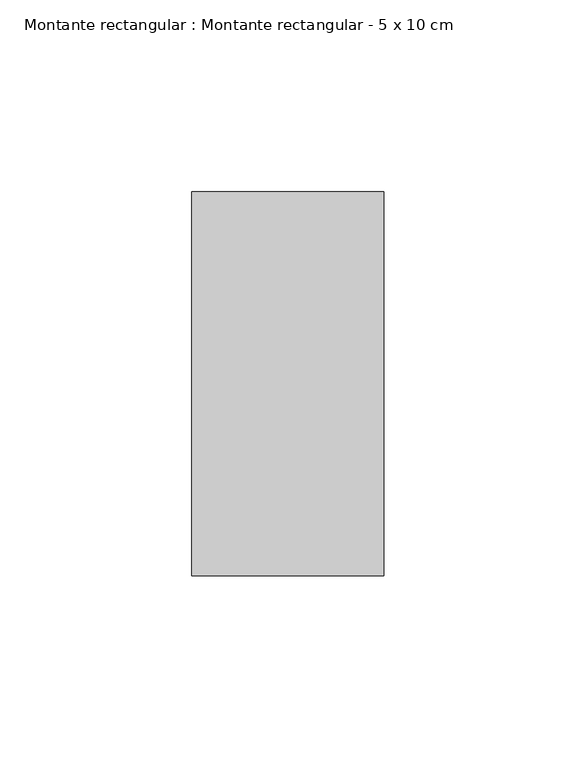
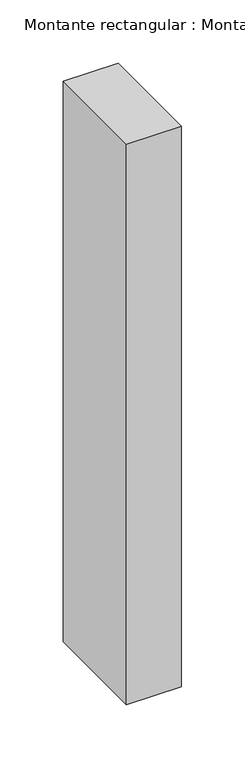
"""IFC4 building model written with IfcOpenShell, lengths in millimetres: member geometry, Montante rectangular : Montante rectangular - 5 x 10 cm."""

from ifc_helpers import new_model, si_unit, frame, origin, place, context, project, spatial, polyline, outline, extrude, source, transform, mapped, element, save


def montante_rectangular_montante_rectangular_5_x_10_cm_0dbe6dda(model_context):
    return source(origin(), model_context, "Body", "SweptSolid", [
        extrude(outline(polyline([(-50.0, 50.0), (0.0, 50.0), (0.0, -50.0), (-50.0, -50.0), (-50.0, 50.0)])), frame((0.0, 0.0, -541.0), z_axis=(0.0, 0.0, 1.0), x_axis=(1.0, 0.0, 0.0)), (0.0, 0.0, 1.0), 541.0),
    ])


if __name__ == "__main__":
    model = new_model("IFC4")
    model_context = context("Model", 3, world=origin())
    ifc_project = project(units=[si_unit("LENGTHUNIT", "METRE", prefix="MILLI")], contexts=[model_context])
    site = spatial("IfcSite", under=ifc_project)
    building = spatial("IfcBuilding", under=site)
    placement = place(None, origin())
    montante_rectangular_montante_rectangular_5_x_10_cm_shape = montante_rectangular_montante_rectangular_5_x_10_cm_0dbe6dda(model_context)
    element("IfcMember", 1, ObjectType="Montante rectangular : Montante rectangular - 5 x 10 cm", at=placement, inside=building, context=model_context, shape_type="MappedRepresentation", body=[
        mapped(montante_rectangular_montante_rectangular_5_x_10_cm_shape, transform((0.0, 0.0, 0.0), x_axis=(1.0, 0.0, 0.0), y_axis=(0.0, 1.0, 0.0), z_axis=(0.0, 0.0, 1.0))),
    ])
    save(model, "model.ifc")
